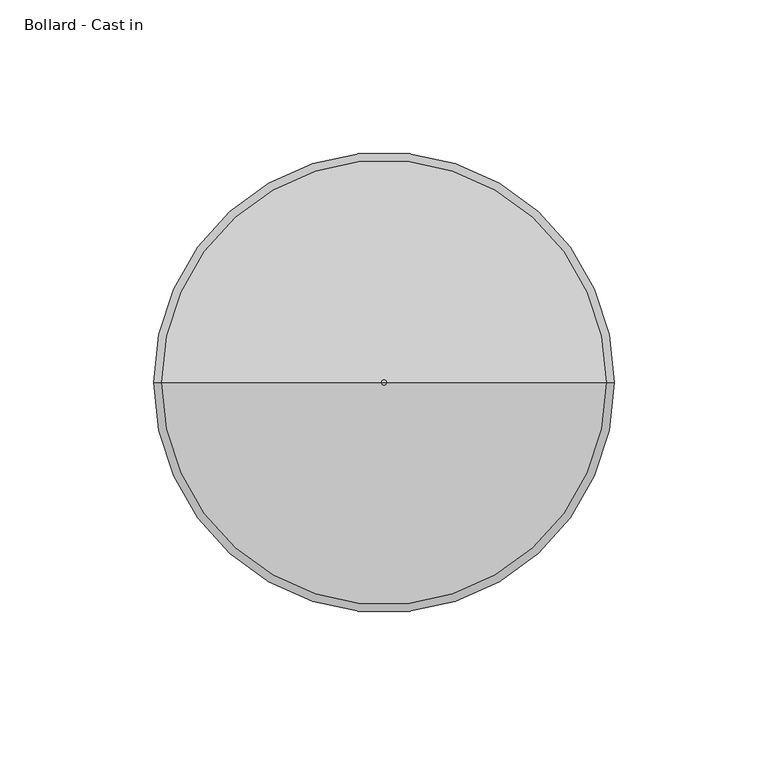
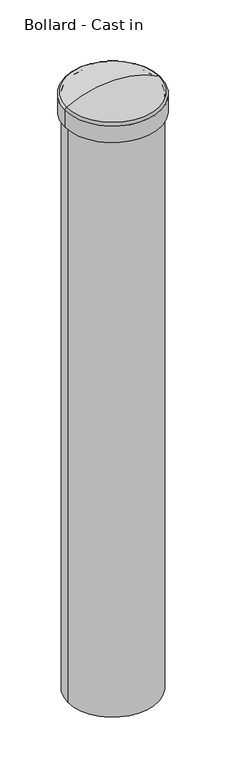
"""IFC4 building model written with IfcOpenShell, lengths in millimetres: proxy geometry, Bollard - Cast in."""

from ifc_helpers import new_model, si_unit, point, frame, origin, origin_with_axes, origin_2d, place, context, project, spatial, polyline, circle_curve, ellipse_curve, trimmed, segment, composite_curve, outline, extrude, source, transform, mapped, element, save
from ifc_brep_helpers import plane_surface, cylinder_surface, revolved_surface, advanced_brep


def bollard_cast_in_c03369d8(model_context):
    return source(origin(), model_context, "Body", "SolidModel", [
        advanced_brep(
        [(-75.0, 0.0, 977.0937961), (75.0, 0.0, 977.0937961), (75.0, 0.0, 950.0), (-75.0, 0.0, 950.0), (-70.0, 0.0, 955.0), (70.0, 0.0, 955.0), (70.0, 0.0, 976.5043492), (-70.0, 0.0, 976.5043492), (-66.0, 0.0, 955.0), (66.0, 0.0, 955.0), (-66.0, 0.0, 950.0), (66.0, 0.0, 950.0), (-72.4305289, 0.0, 981.4632959), (72.4305289, 0.0, 981.4632959), (-0.9729779, 0.0, 1000.0), (0.9729779, 0.0, 1000.0), (0.0, 0.0, 1000.0), (-0.9729779, 0.0, 995.0), (0.9729779, 0.0, 995.0), (0.0, 0.0, 995.0), (-69.4824611, 0.0, 977.3802665), (69.4824611, 0.0, 977.3802665)],
        [
            (0, 1, circle_curve(frame((0.0, 0.0, 977.0937961), z_axis=(0.0, 0.0, -1.0), x_axis=(1.0, 0.0, 0.0)), 75.0)),
            (1, 2),
            (2, 3, circle_curve(frame((0.0, 0.0, 950.0), z_axis=(0.0, 0.0, 1.0), x_axis=(1.0, 0.0, 0.0)), 75.0)),
            (3, 0),
            (1, 0, circle_curve(frame((0.0, 0.0, 977.0937961), z_axis=(0.0, 0.0, -1.0), x_axis=(1.0, 0.0, 0.0)), 75.0)),
            (3, 2, circle_curve(frame((0.0, 0.0, 950.0), z_axis=(0.0, 0.0, 1.0), x_axis=(1.0, 0.0, 0.0)), 75.0)),
            (4, 5, circle_curve(frame((0.0, 0.0, 955.0), z_axis=(0.0, 0.0, -1.0), x_axis=(1.0, 0.0, 0.0)), 70.0)),
            (5, 6),
            (6, 7, circle_curve(frame((0.0, 0.0, 976.5043492), z_axis=(0.0, 0.0, 1.0), x_axis=(1.0, 0.0, 0.0)), 70.0)),
            (7, 4),
            (5, 4, circle_curve(frame((0.0, 0.0, 955.0), z_axis=(0.0, 0.0, -1.0), x_axis=(1.0, 0.0, 0.0)), 70.0)),
            (7, 6, circle_curve(frame((0.0, 0.0, 976.5043492), z_axis=(0.0, 0.0, 1.0), x_axis=(1.0, 0.0, 0.0)), 70.0)),
            (8, 9, circle_curve(frame((0.0, 0.0, 955.0), z_axis=(0.0, 0.0, -1.0), x_axis=(1.0, 0.0, 0.0)), 66.0)),
            (9, 5),
            (4, 8),
            (9, 8, circle_curve(frame((0.0, 0.0, 955.0), z_axis=(0.0, 0.0, -1.0), x_axis=(1.0, 0.0, 0.0)), 66.0)),
            (10, 11, circle_curve(frame((0.0, 0.0, 950.0), z_axis=(0.0, 0.0, -1.0), x_axis=(1.0, 0.0, 0.0)), 66.0)),
            (11, 9),
            (8, 10),
            (11, 10, circle_curve(frame((0.0, 0.0, 950.0), z_axis=(0.0, 0.0, -1.0), x_axis=(1.0, 0.0, 0.0)), 66.0)),
            (12, 13, circle_curve(frame((0.0, 0.0, 981.4632959), z_axis=(0.0, 0.0, -1.0), x_axis=(1.0, 0.0, 0.0)), 72.4305289)),
            (13, 1, circle_curve(frame((70.0, 0.0, 977.0937961), z_axis=(0.0, 1.0, 0.0), x_axis=(1.0, 0.0, 0.0)), 5.0)),
            (0, 12, circle_curve(frame((-70.0, 0.0, 977.0937961), z_axis=(0.0, 1.0, 0.0), x_axis=(-1.0, 0.0, 0.0)), 5.0)),
            (13, 12, circle_curve(frame((0.0, 0.0, 981.4632959), z_axis=(0.0, 0.0, -1.0), x_axis=(1.0, 0.0, 0.0)), 72.4305289)),
            (14, 15, circle_curve(frame((0.0, 0.0, 1000.0), z_axis=(0.0, 0.0, -1.0), x_axis=(1.0, 0.0, 0.0)), 0.9729779)),
            (15, 13, circle_curve(frame((0.9729779, 0.0, 853.0), z_axis=(0.0, 1.0, 0.0), x_axis=(1.0, 0.0, 0.0)), 147.0)),
            (12, 14, circle_curve(frame((-0.9729779, 0.0, 853.0), z_axis=(0.0, 1.0, 0.0), x_axis=(-1.0, 0.0, 0.0)), 147.0)),
            (15, 14, circle_curve(frame((0.0, 0.0, 1000.0), z_axis=(0.0, 0.0, -1.0), x_axis=(1.0, 0.0, 0.0)), 0.9729779)),
            (16, 15),
            (14, 16),
            (17, 18, circle_curve(frame((0.0, 0.0, 995.0), z_axis=(0.0, 0.0, -1.0), x_axis=(1.0, 0.0, 0.0)), 0.9729779)),
            (18, 19),
            (19, 17),
            (18, 17, circle_curve(frame((0.0, 0.0, 995.0), z_axis=(0.0, 0.0, -1.0), x_axis=(1.0, 0.0, 0.0)), 0.9729779)),
            (20, 21, circle_curve(frame((0.0, 0.0, 977.3802665), z_axis=(0.0, 0.0, -1.0), x_axis=(1.0, 0.0, 0.0)), 69.4824611)),
            (21, 18, circle_curve(frame((0.9729779, 0.0, 853.0), z_axis=(0.0, -1.0, 0.0), x_axis=(1.0, 0.0, 0.0)), 142.0)),
            (17, 20, circle_curve(frame((-0.9729779, 0.0, 853.0), z_axis=(0.0, -1.0, 0.0), x_axis=(-1.0, 0.0, 0.0)), 142.0)),
            (21, 20, circle_curve(frame((0.0, 0.0, 977.3802665), z_axis=(0.0, 0.0, -1.0), x_axis=(1.0, 0.0, 0.0)), 69.4824611)),
            (6, 21, circle_curve(frame((69.0, 0.0, 976.5043492), z_axis=(0.0, -1.0, 0.0), x_axis=(1.0, 0.0, 0.0)), 1.0)),
            (20, 7, circle_curve(frame((-69.0, 0.0, 976.5043492), z_axis=(0.0, -1.0, 0.0), x_axis=(-1.0, 0.0, 0.0)), 1.0)),
            (2, 11),
            (10, 3),
        ],
        [
            cylinder_surface(frame((0.0, 0.0, -1000.0), z_axis=(0.0, 0.0, 1.0), x_axis=(1.0, 0.0, 0.0)), 75.0),
            revolved_surface(polyline([(70.0, 0.0, 976.5043492), (70.0, 0.0, 955.0)]), (0.0, 0.0, -1000.0), (0.0, 0.0, 1.0)),
            plane_surface(frame((0.0, 0.0, 955.0), z_axis=(0.0, 0.0, 1.0), x_axis=(1.0, 0.0, 0.0))),
            revolved_surface(polyline([(66.0, 0.0, 955.0), (66.0, 0.0, 950.0)]), (0.0, 0.0, -1000.0), (0.0, 0.0, 1.0)),
            revolved_surface(trimmed(ellipse_curve(frame((70.0, 0.0, 977.0937961), z_axis=(0.0, -1.0, 0.0), x_axis=(1.0, 0.0, 0.0)), 5.0, 5.0), [point((75.0, 0.0, 977.0937961))], [point((72.4305289, 0.0, 981.4632959))], True, "CARTESIAN"), (0.0, 0.0, -1000.0), (0.0, 0.0, 1.0)),
            revolved_surface(trimmed(ellipse_curve(frame((0.9729779, 0.0, 853.0), z_axis=(0.0, -1.0, 0.0), x_axis=(1.0, 0.0, 0.0)), 147.0, 147.0), [point((72.4305289, 0.0, 981.4632959))], [point((0.9729779, 0.0, 1000.0))], True, "CARTESIAN"), (0.0, 0.0, -1000.0), (0.0, 0.0, 1.0)),
            plane_surface(frame((0.0, 0.0, 1000.0), z_axis=(0.0, 0.0, 1.0), x_axis=(1.0, 0.0, 0.0))),
            plane_surface(frame((0.0, 0.0, 995.0), z_axis=(0.0, 0.0, -1.0), x_axis=(1.0, 0.0, 0.0))),
            revolved_surface(trimmed(ellipse_curve(frame((0.9729779, 0.0, 853.0), z_axis=(0.0, 1.0, 0.0), x_axis=(1.0, 0.0, 0.0)), 142.0, 142.0), [point((0.9729779, 0.0, 995.0))], [point((69.4824611, 0.0, 977.3802665))], True, "CARTESIAN"), (0.0, 0.0, -1000.0), (0.0, 0.0, 1.0)),
            revolved_surface(trimmed(ellipse_curve(frame((69.0, 0.0, 976.5043492), z_axis=(0.0, 1.0, 0.0), x_axis=(1.0, 0.0, 0.0)), 1.0, 1.0), [point((69.4824611, 0.0, 977.3802665))], [point((70.0, 0.0, 976.5043492))], True, "CARTESIAN"), (0.0, 0.0, -1000.0), (0.0, 0.0, 1.0)),
            plane_surface(frame((0.0, 0.0, 950.0), z_axis=(0.0, 0.0, -1.0), x_axis=(1.0, 0.0, 0.0))),
        ],
        [
            (0, [[1, 2, 3, 4]]),
            (0, [[5, -4, 6, -2]]),
            (1, [[7, 8, 9, 10]]),
            (1, [[11, -10, 12, -8]]),
            (2, [[13, 14, -7, 15]]),
            (2, [[16, -15, -11, -14]]),
            (3, [[17, 18, -13, 19]]),
            (3, [[20, -19, -16, -18]]),
            (4, [[21, 22, -1, 23]]),
            (4, [[24, -23, -5, -22]]),
            (5, [[25, 26, -21, 27]]),
            (5, [[28, -27, -24, -26]]),
            (6, [[29, -25, 30]]),
            (6, [[-30, -28, -29]]),
            (7, [[31, 32, 33]]),
            (7, [[34, -33, -32]]),
            (8, [[35, 36, -31, 37]]),
            (8, [[38, -37, -34, -36]]),
            (9, [[-9, 39, -35, 40]]),
            (9, [[-12, -40, -38, -39]]),
            (10, [[-3, 41, -17, 42]]),
            (10, [[-6, -42, -20, -41]]),
        ],
    ),
        extrude(outline(composite_curve([segment(trimmed(circle_curve(origin_2d(), 70.0), [point((70.0, 0.0))], [point((-70.0, 0.0))], False, "CARTESIAN"), True, "CONTINUOUS"), segment(trimmed(circle_curve(origin_2d(), 70.0), [point((-70.0, 0.0))], [point((70.0, 0.0))], False, "CARTESIAN"), True, "CONTINUOUS")], self_intersect=False), holes=[composite_curve([segment(trimmed(circle_curve(origin_2d(), 66.0), [point((66.0, 0.0))], [point((-66.0, 0.0))], True, "CARTESIAN"), True, "CONTINUOUS"), segment(trimmed(circle_curve(origin_2d(), 66.0), [point((-66.0, 0.0))], [point((66.0, 0.0))], True, "CARTESIAN"), True, "CONTINUOUS")], self_intersect=False)]), origin_with_axes(), (0.0, 0.0, 1.0), 950.0),
    ])


if __name__ == "__main__":
    model = new_model("IFC4")
    model_context = context("Model", 3, world=origin())
    ifc_project = project(units=[si_unit("LENGTHUNIT", "METRE", prefix="MILLI")], contexts=[model_context])
    site = spatial("IfcSite", under=ifc_project)
    building = spatial("IfcBuilding", under=site)
    placement = place(None, origin())
    bollard_cast_in_shape = bollard_cast_in_c03369d8(model_context)
    element("IfcBuildingElementProxy", 1, Name="Bollard - Cast in", ObjectType="Bollard - Cast in", at=placement, inside=building, context=model_context, shape_type="MappedRepresentation", body=[
        mapped(bollard_cast_in_shape, transform((0.0, 0.0, 0.0), x_axis=(1.0, 0.0, 0.0), y_axis=(0.0, 1.0, 0.0), z_axis=(0.0, 0.0, 1.0))),
    ])
    save(model, "model.ifc")
